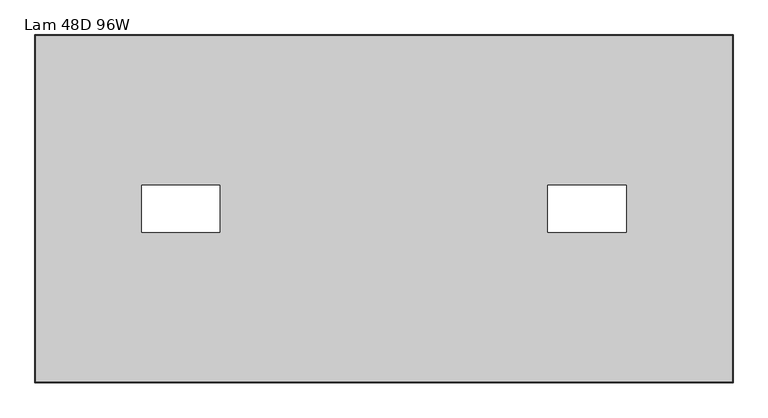
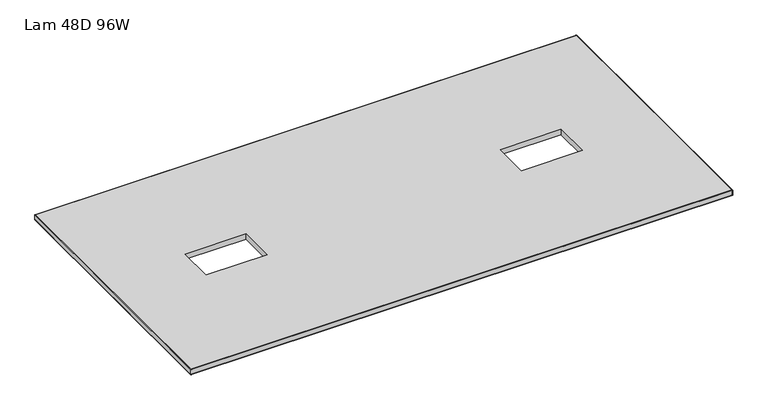
"""IFC4 building model written with IfcOpenShell, lengths in millimetres: furniture geometry, Lam 48D 96W."""

from ifc_helpers import new_model, si_unit, frame, origin, place, context, project, spatial, polyline, ellipse_curve, outline, extrude, source, transform, mapped, element, save
from ifc_brep_helpers import plane_surface, cylinder_surface, advanced_brep


def lam_48d_96w_3d17b5ee(model_context):
    return source(origin(), model_context, "Body", "SolidModel", [
        advanced_brep(
        [(-1097.0, 604.8248, 723.9), (-1097.0, 604.8248, 698.5), (1333.7518, 604.8248, 698.5), (1333.7518, 604.8248, 723.9), (1333.7518, -604.8248, 698.5), (1333.7518, -604.8248, 723.9), (-1097.0, -604.8248, 698.5), (-1097.0, -604.8248, 723.9), (-1098.6002, 606.425, 700.1002), (-1098.6002, 606.425, 722.2998), (1335.352, 606.425, 722.2998), (1335.352, 606.425, 700.1002), (1335.352, -606.425, 722.2998), (1335.352, -606.425, 700.1002), (-1098.6002, -606.425, 722.2998), (-1098.6002, -606.425, 700.1002)],
        [
            (0, 1),
            (1, 2),
            (2, 3),
            (3, 0),
            (2, 4),
            (4, 5),
            (5, 3),
            (4, 6),
            (6, 7),
            (7, 5),
            (6, 1),
            (0, 7),
            (8, 9),
            (9, 10),
            (10, 11),
            (11, 8),
            (10, 12),
            (12, 13),
            (13, 11),
            (12, 14),
            (14, 15),
            (15, 13),
            (14, 9),
            (8, 15),
            (9, 0, ellipse_curve(frame((-1097.0, 604.8248, 722.2998), z_axis=(0.7071067811865475, 0.7071067811865475, 0.0), x_axis=(-0.7071067811865476, 0.7071067811865474, 0.0)), 2.2630245, 1.6002)),
            (3, 10, ellipse_curve(frame((1333.7518, 604.8248, 722.2998), z_axis=(-0.7071067811865475, 0.7071067811865475, 0.0), x_axis=(-0.7071067811865476, -0.7071067811865474, 0.0)), 2.2630245, 1.6002)),
            (1, 8, ellipse_curve(frame((-1097.0, 604.8248, 700.1002), z_axis=(0.7071067811865475, 0.7071067811865475, 0.0), x_axis=(-0.7071067811865476, 0.7071067811865474, 0.0)), 2.2630245, 1.6002)),
            (11, 2, ellipse_curve(frame((1333.7518, 604.8248, 700.1002), z_axis=(-0.7071067811865475, 0.7071067811865475, 0.0), x_axis=(-0.7071067811865476, -0.7071067811865474, 0.0)), 2.2630245, 1.6002)),
            (5, 12, ellipse_curve(frame((1333.7518, -604.8248, 722.2998), z_axis=(0.7071067811865475, 0.7071067811865475, 0.0), x_axis=(-0.7071067811865474, 0.7071067811865476, 0.0)), 2.2630245, 1.6002)),
            (13, 4, ellipse_curve(frame((1333.7518, -604.8248, 700.1002), z_axis=(0.7071067811865475, 0.7071067811865475, 0.0), x_axis=(-0.7071067811865474, 0.7071067811865476, 0.0)), 2.2630245, 1.6002)),
            (7, 14, ellipse_curve(frame((-1097.0, -604.8248, 722.2998), z_axis=(0.7071067811865475, -0.7071067811865475, 0.0), x_axis=(0.7071067811865476, 0.7071067811865474, 0.0)), 2.2630245, 1.6002)),
            (15, 6, ellipse_curve(frame((-1097.0, -604.8248, 700.1002), z_axis=(0.7071067811865475, -0.7071067811865475, 0.0), x_axis=(0.7071067811865476, 0.7071067811865474, 0.0)), 2.2630245, 1.6002)),
        ],
        [
            plane_surface(frame((-1097.0, 604.8248, 698.5), z_axis=(0.0, -1.0, 0.0), x_axis=(1.0, 0.0, 0.0))),
            plane_surface(frame((1333.7518, 604.8248, 698.5), z_axis=(-1.0, 0.0, 0.0), x_axis=(0.0, -1.0, 0.0))),
            plane_surface(frame((1333.7518, -604.8248, 698.5), z_axis=(0.0, 1.0, 0.0), x_axis=(-1.0, 0.0, 0.0))),
            plane_surface(frame((-1097.0, -604.8248, 698.5), z_axis=(1.0, 0.0, 0.0), x_axis=(0.0, 1.0, 0.0))),
            plane_surface(frame((-1098.6002, 606.425, 722.2998), z_axis=(0.0, 1.0, 0.0), x_axis=(1.0, 0.0, 0.0))),
            plane_surface(frame((1335.352, 606.425, 722.2998), z_axis=(1.0, 0.0, 0.0), x_axis=(0.0, -1.0, 0.0))),
            plane_surface(frame((1335.352, -606.425, 722.2998), z_axis=(0.0, -1.0, 0.0), x_axis=(-1.0, 0.0, 0.0))),
            plane_surface(frame((-1098.6002, -606.425, 722.2998), z_axis=(-1.0, 0.0, 0.0), x_axis=(0.0, 1.0, 0.0))),
            cylinder_surface(frame((-1097.0, 604.8248, 722.2998), z_axis=(-1.0, 0.0, 0.0), x_axis=(0.0, -1.0, 0.0)), 1.6002),
            cylinder_surface(frame((-1097.0, 604.8248, 700.1002), z_axis=(-1.0, 0.0, 0.0), x_axis=(0.0, -1.0, 0.0)), 1.6002),
            cylinder_surface(frame((1333.7518, 604.8248, 722.2998), z_axis=(0.0, 1.0, 0.0), x_axis=(-1.0, 0.0, 0.0)), 1.6002),
            cylinder_surface(frame((1333.7518, 604.8248, 700.1002), z_axis=(0.0, 1.0, 0.0), x_axis=(-1.0, 0.0, 0.0)), 1.6002),
            cylinder_surface(frame((1333.7518, -604.8248, 722.2998), z_axis=(1.0, 0.0, 0.0), x_axis=(0.0, 1.0, 0.0)), 1.6002),
            cylinder_surface(frame((1333.7518, -604.8248, 700.1002), z_axis=(1.0, 0.0, 0.0), x_axis=(0.0, 1.0, 0.0)), 1.6002),
            cylinder_surface(frame((-1097.0, -604.8248, 722.2998), z_axis=(0.0, -1.0, 0.0), x_axis=(1.0, 0.0, 0.0)), 1.6002),
            cylinder_surface(frame((-1097.0, -604.8248, 700.1002), z_axis=(0.0, -1.0, 0.0), x_axis=(1.0, 0.0, 0.0)), 1.6002),
        ],
        [
            (0, [[1, 2, 3, 4]]),
            (1, [[-3, 5, 6, 7]]),
            (2, [[-6, 8, 9, 10]]),
            (3, [[-9, 11, -1, 12]]),
            (4, [[13, 14, 15, 16]]),
            (5, [[-15, 17, 18, 19]]),
            (6, [[-18, 20, 21, 22]]),
            (7, [[-21, 23, -13, 24]]),
            (8, [[25, -4, 26, -14]]),
            (9, [[27, -16, 28, -2]]),
            (10, [[-26, -7, 29, -17]]),
            (11, [[-28, -19, 30, -5]]),
            (12, [[-29, -10, 31, -20]]),
            (13, [[-30, -22, 32, -8]]),
            (14, [[-31, -12, -25, -23]]),
            (15, [[-32, -24, -27, -11]]),
        ],
    ),
        extrude(outline(polyline([(1333.7518, 604.8248), (1333.7518, -604.8248), (-1097.0, -604.8248), (-1097.0, 604.8248), (1333.7518, 604.8248)]), holes=[polyline([(-453.8113, 81.915), (-726.8613, 81.915), (-726.8613, -81.915), (-453.8113, -81.915), (-453.8113, 81.915)]), polyline([(962.2133, 81.915), (689.1633, 81.915), (689.1633, -81.915), (962.2133, -81.915), (962.2133, 81.915)])]), frame((0.0, 0.0, 698.5), z_axis=(0.0, 0.0, 1.0), x_axis=(1.0, 0.0, 0.0)), (0.0, 0.0, 1.0), 25.4),
    ])


if __name__ == "__main__":
    model = new_model("IFC4")
    model_context = context("Model", 3, world=origin())
    ifc_project = project(units=[si_unit("LENGTHUNIT", "METRE", prefix="MILLI")], contexts=[model_context])
    site = spatial("IfcSite", under=ifc_project)
    building = spatial("IfcBuilding", under=site)
    placement = place(None, origin())
    lam_48d_96w_shape = lam_48d_96w_3d17b5ee(model_context)
    element("IfcFurniture", 1, ObjectType="Lam 48D 96W", at=placement, inside=building, context=model_context, shape_type="MappedRepresentation", body=[
        mapped(lam_48d_96w_shape, transform((0.0, 0.0, 0.0), x_axis=(1.0, 0.0, 0.0), y_axis=(0.0, 1.0, 0.0), z_axis=(0.0, 0.0, 1.0))),
    ])
    save(model, "model.ifc")
